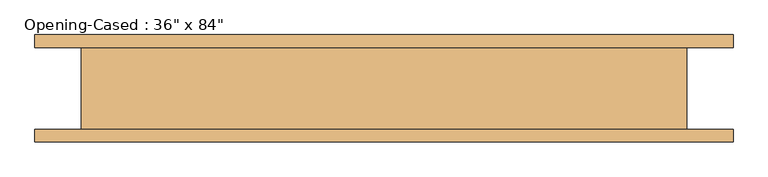
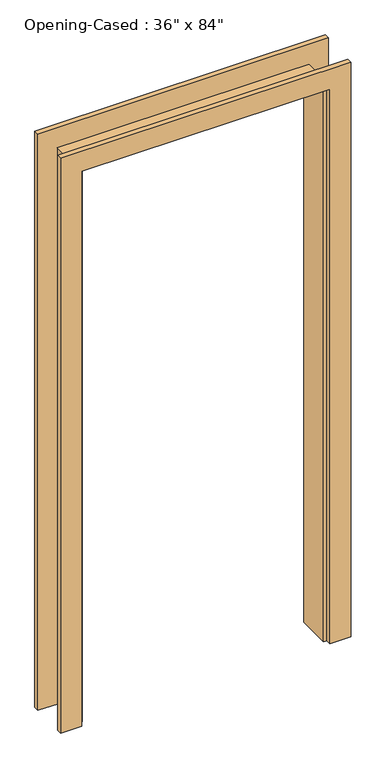
"""IFC4 building model written with IfcOpenShell, lengths in millimetres: door geometry."""

from ifc_helpers import new_model, si_unit, frame, origin, place, context, project, spatial, polyline, outline, extrude, faceted_brep, source, transform, mapped, element, save


def door_d33b225d(model_context):
    return source(origin(), model_context, "Body", "SolidModel", [
        extrude(outline(polyline([(0.0, -459.0386567), (2127.25, -459.0386567), (2127.25, 442.6613433), (0.0, 442.6613433), (0.0, 518.8613433), (2203.45, 518.8613433), (2203.45, -535.2386567), (0.0, -535.2386567), (0.0, -459.0386567)])), frame((0.0, -80.9625, 0.0), z_axis=(0.0, 1.0, 0.0), x_axis=(0.0, 0.0, 1.0)), (0.0, 0.0, 1.0), 19.05),
        extrude(outline(polyline([(0.0, 518.8613433), (2209.8, 518.8613433), (2209.8, -535.2386567), (0.0, -535.2386567), (0.0, -459.0386567), (2127.25, -459.0386567), (2127.25, 442.6613433), (0.0, 442.6613433), (0.0, 518.8613433)])), frame((0.0, 61.9125, 0.0), z_axis=(0.0, 1.0, 0.0), x_axis=(0.0, 0.0, 1.0)), (0.0, 0.0, 1.0), 19.05),
        faceted_brep([(429.9613433, 61.9125, 0.0), (449.0113433, 61.9125, 0.0), (449.0113433, -61.9125, 0.0), (429.9613433, -61.9125, 0.0), (429.9613433, 61.9125, 2114.55), (449.0113433, 61.9125, 2133.6), (449.0113433, -61.9125, 2133.6), (429.9613433, -61.9125, 2114.55), (-446.3386567, 61.9125, 2114.55), (-465.3886567, 61.9125, 2133.6), (-465.3886567, -61.9125, 2133.6), (-446.3386567, -61.9125, 2114.55), (-446.3386567, 61.9125, 0.0), (-446.3386567, -61.9125, 0.0), (-465.3886567, -61.9125, 0.0), (-465.3886567, 61.9125, 0.0)], [[[0, 1, 2, 3]], [[1, 0, 4, 5]], [[2, 1, 5, 6]], [[3, 2, 6, 7]], [[0, 3, 7, 4]], [[5, 4, 8, 9]], [[6, 5, 9, 10]], [[7, 6, 10, 11]], [[4, 7, 11, 8]], [[12, 13, 14, 15]], [[9, 8, 12, 15]], [[10, 9, 15, 14]], [[11, 10, 14, 13]], [[8, 11, 13, 12]]]),
    ])


if __name__ == "__main__":
    model = new_model("IFC4")
    model_context = context("Model", 3, world=origin())
    ifc_project = project(units=[si_unit("LENGTHUNIT", "METRE", prefix="MILLI")], contexts=[model_context])
    site = spatial("IfcSite", under=ifc_project)
    building = spatial("IfcBuilding", under=site)
    placement = place(None, origin())
    door_shape = door_d33b225d(model_context)
    element("IfcDoor", 1, ObjectType="Opening-Cased : 36\" x 84\"", at=placement, inside=building, context=model_context, shape_type="MappedRepresentation", body=[
        mapped(door_shape, transform((0.0, 0.0, 0.0), x_axis=(1.0, 0.0, 0.0), y_axis=(0.0, 1.0, 0.0), z_axis=(0.0, 0.0, 1.0))),
    ])
    save(model, "model.ifc")
